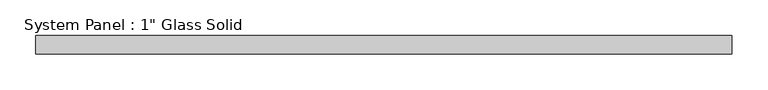
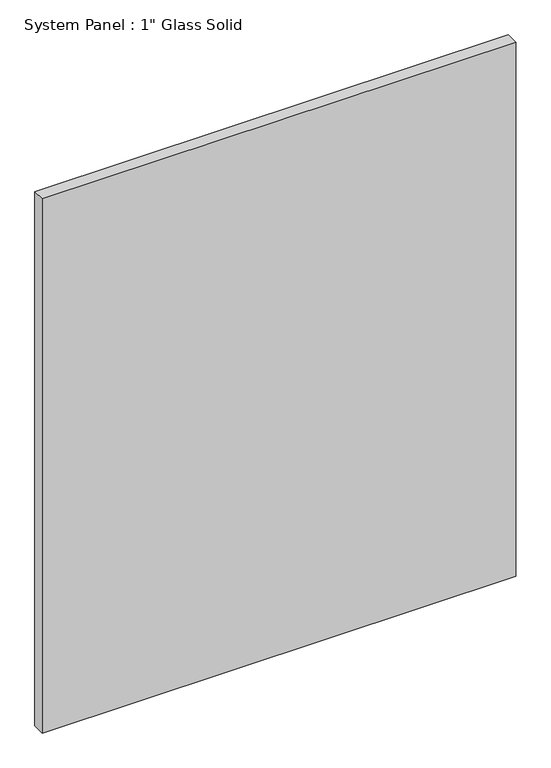
"""IFC4 building model written with IfcOpenShell, lengths in millimetres: plate geometry."""

from ifc_helpers import new_model, si_unit, origin, origin_with_axes, place, context, project, spatial, polyline, outline, extrude, source, transform, mapped, element, save


def plate_a7a707bb(model_context):
    return source(origin(), model_context, "Body", "SweptSolid", [
        extrude(outline(polyline([(485.775, -12.7), (-485.775, -12.7), (-485.775, 12.7), (485.775, 12.7), (485.775, -12.7)])), origin_with_axes(), (0.0, 0.0, 1.0), 1158.8767704),
    ])


if __name__ == "__main__":
    model = new_model("IFC4")
    model_context = context("Model", 3, world=origin())
    ifc_project = project(units=[si_unit("LENGTHUNIT", "METRE", prefix="MILLI")], contexts=[model_context])
    site = spatial("IfcSite", under=ifc_project)
    building = spatial("IfcBuilding", under=site)
    placement = place(None, origin())
    plate_shape = plate_a7a707bb(model_context)
    element("IfcPlate", 1, ObjectType="System Panel : 1\" Glass Solid", at=placement, inside=building, context=model_context, shape_type="MappedRepresentation", body=[
        mapped(plate_shape, transform((0.0, 0.0, 0.0), x_axis=(1.0, 0.0, 0.0), y_axis=(0.0, 1.0, 0.0), z_axis=(0.0, 0.0, 1.0))),
    ])
    save(model, "model.ifc")
